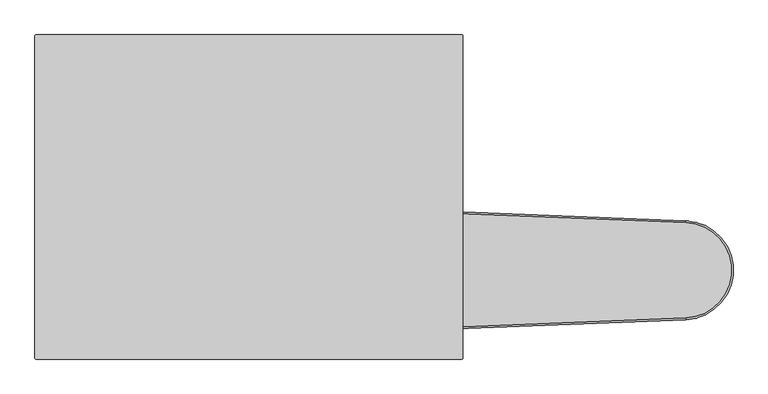
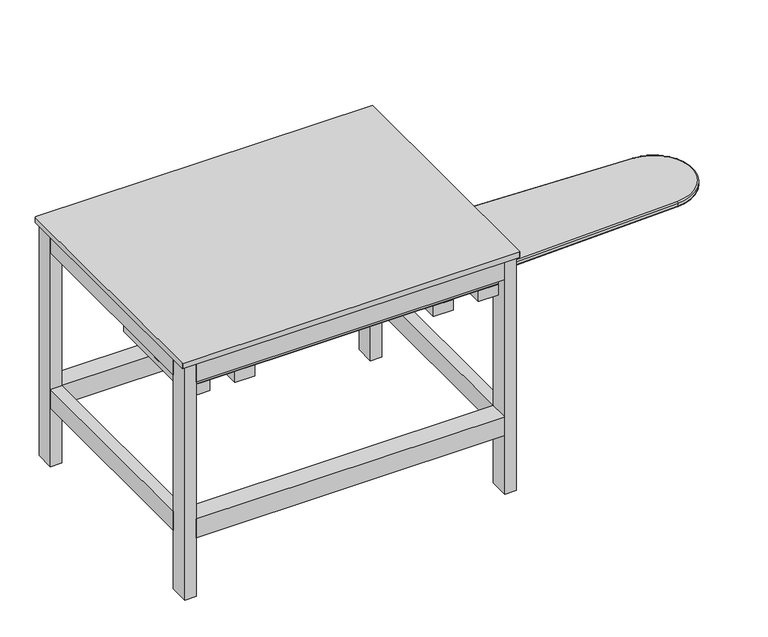
"""IFC4 building model written with IfcOpenShell, lengths in millimetres: furniture geometry."""

from ifc_helpers import new_model, si_unit, point, frame, frame_2d, origin, place, context, project, spatial, polyline, circle_curve, ellipse_curve, trimmed, segment, composite_curve, outline, extrude, faceted_brep, source, transform, mapped, element, save
from ifc_brep_helpers import plane_surface, cylinder_surface, revolved_surface, advanced_brep


def furniture_a4b67508(model_context):
    return source(origin(), model_context, "Body", "SolidModel", [
        advanced_brep(
        [(-230.8786797, -28.9253187, 798.5), (-230.8786797, -382.3173219, 798.5), (845.6885995, -339.2546308, 798.5), (845.6885995, -71.9880099, 798.5), (-230.8786797, -382.3173219, 779.5), (-230.8786797, -28.9253187, 779.5), (845.6885995, -71.9880099, 779.5), (845.6885995, -339.2546308, 779.5), (-230.8786797, -23.9213203, 793.5), (-230.8786797, -23.9213203, 784.5), (-230.8786797, -387.3213203, 784.5), (-230.8786797, -387.3213203, 793.5), (845.8884397, -344.2506356, 784.5), (845.8884397, -344.2506356, 793.5), (845.8884397, -66.9920051, 784.5), (845.8884397, -66.9920051, 793.5000023)],
        [
            (0, 1),
            (1, 2),
            (2, 3, circle_curve(frame((840.3432671, -205.6213203, 798.5), z_axis=(0.0, 0.0, 1.0), x_axis=(0.039968038348865476, -0.9992009587217897, 0.0)), 133.7401744)),
            (3, 0),
            (4, 5),
            (5, 6),
            (6, 7, circle_curve(frame((840.3432671, -205.6213203, 779.5), z_axis=(0.0, 0.0, -1.0), x_axis=(0.039968038348865476, -0.9992009587217897, 0.0)), 133.7401744)),
            (7, 4),
            (0, 8, ellipse_curve(frame((-230.8786797, -28.9253187, 793.5), z_axis=(-1.0, 0.0, 0.0), x_axis=(0.0, 1.0, 0.0)), 5.0039984, 5.0)),
            (8, 9),
            (9, 5, ellipse_curve(frame((-230.8786797, -28.9253187, 784.5), z_axis=(-1.0, 0.0, 0.0), x_axis=(0.0, 1.0, 0.0)), 5.0039984, 5.0)),
            (4, 10, ellipse_curve(frame((-230.8786797, -382.3173219, 784.5), z_axis=(-1.0, 0.0, 0.0), x_axis=(0.0, 1.0, 0.0)), 5.0039984, 5.0)),
            (10, 11),
            (11, 1, ellipse_curve(frame((-230.8786797, -382.3173219, 793.5), z_axis=(-1.0, 0.0, 0.0), x_axis=(0.0, 1.0, 0.0)), 5.0039984, 5.0)),
            (10, 12),
            (12, 13),
            (13, 11),
            (12, 14, circle_curve(frame((840.3432671, -205.6213203, 784.5), z_axis=(0.0, 0.0, 1.0), x_axis=(1.0, 0.0, 0.0)), 138.7401744)),
            (14, 15),
            (15, 13, circle_curve(frame((840.3432671, -205.6213203, 793.5), z_axis=(0.0, 0.0, -1.0), x_axis=(1.0, 0.0, 0.0)), 138.7401744)),
            (8, 15),
            (14, 9),
            (13, 2, circle_curve(frame((845.6885995, -339.2546308, 793.5), z_axis=(-0.9992009587217895, -0.03996803834887169, 0.0), x_axis=(-0.03996803834887169, 0.9992009587217895, 0.0)), 5.0)),
            (15, 3, circle_curve(frame((845.6885995, -71.9880099, 793.5), z_axis=(0.9992009587217894, -0.03996803834887574, 0.0), x_axis=(-0.03996803834887574, -0.9992009587217894, 0.0)), 5.0)),
            (7, 12, circle_curve(frame((845.6885995, -339.2546308, 784.5), z_axis=(-0.9992009587217895, -0.03996803834887169, 0.0), x_axis=(-0.03996803834887169, 0.9992009587217895, 0.0)), 5.0)),
            (6, 14, circle_curve(frame((845.6885995, -71.9880099, 784.5), z_axis=(0.9992009587217894, -0.039968038348875294, 0.0), x_axis=(-0.039968038348875294, -0.9992009587217894, 0.0)), 5.0)),
        ],
        [
            plane_surface(frame((-230.8786797, -41.9974316, 798.5), z_axis=(0.0, 0.0, 1.0), x_axis=(0.0, -1.0, 0.0))),
            plane_surface(frame((-230.8786797, -41.9974316, 779.5), z_axis=(0.0, 0.0, -1.0), x_axis=(0.0, 1.0, 0.0))),
            plane_surface(frame((-230.8786797, -23.9213203, 798.5), z_axis=(-1.0, 0.0, 0.0), x_axis=(0.0, 0.0, -1.0))),
            plane_surface(frame((-230.8786797, -387.3213203, 798.5), z_axis=(0.039968038348871686, -0.9992009587217895, 0.0), x_axis=(0.0, 0.0, -1.0))),
            cylinder_surface(frame((840.3432671, -205.6213203, 779.5), z_axis=(0.0, 0.0, 1.0), x_axis=(1.0, 0.0, 0.0)), 138.7401744),
            plane_surface(frame((845.8884397, -66.9920051, 798.5), z_axis=(0.039968038348876196, 0.9992009587217893, 0.0), x_axis=(0.0, 0.0, -1.0))),
            cylinder_surface(frame((-231.0785198, -382.3253155, 793.5), z_axis=(0.9992009587217895, 0.03996803834887169, 0.0), x_axis=(-0.03996803834887169, 0.9992009587217895, 0.0)), 5.0),
            revolved_surface(trimmed(ellipse_curve(frame((845.6885995, -339.2546308, 793.5), z_axis=(-0.9992009587217897, -0.03996803834886547, 0.0), x_axis=(-0.03996803834886547, 0.9992009587217897, 0.0)), 5.0, 5.0), [point((845.8884397, -344.2506356, 793.5))], [point((845.6885995, -339.2546308, 798.5))], True, "CARTESIAN"), (840.3432671, -205.6213203, 798.5), (0.0, 0.0, 1.0)),
            cylinder_surface(frame((845.6885995, -71.9880099, 793.5), z_axis=(-0.9992009587217893, 0.0399680383488762, 0.0), x_axis=(-0.0399680383488762, -0.9992009587217893, 0.0)), 5.0),
            cylinder_surface(frame((-231.0785198, -382.3253155, 784.5), z_axis=(0.9992009587217895, 0.03996803834887169, 0.0), x_axis=(-0.03996803834887169, 0.9992009587217895, 0.0)), 5.0),
            revolved_surface(trimmed(ellipse_curve(frame((845.6885995, -339.2546308, 784.5), z_axis=(-0.9992009587217897, -0.03996803834886547, 0.0), x_axis=(-0.03996803834886547, 0.9992009587217897, 0.0)), 5.0, 5.0), [point((845.6885995, -339.2546308, 779.5))], [point((845.8884397, -344.2506356, 784.5))], True, "CARTESIAN"), (840.3432671, -205.6213203, 798.5), (0.0, 0.0, 1.0)),
            cylinder_surface(frame((845.6885995, -71.9880099, 784.5), z_axis=(-0.9992009587217893, 0.0399680383488762, 0.0), x_axis=(-0.0399680383488762, -0.9992009587217893, 0.0)), 5.0),
        ],
        [
            (0, [[1, 2, 3, 4]]),
            (1, [[5, 6, 7, 8]]),
            (2, [[-1, 9, 10, 11, -5, 12, 13, 14]]),
            (3, [[-13, 15, 16, 17]]),
            (4, [[-16, 18, 19, 20]]),
            (5, [[-10, 21, -19, 22]]),
            (6, [[23, -2, -14, -17]]),
            (7, [[-23, -20, 24, -3]]),
            (8, [[-24, -21, -9, -4]]),
            (9, [[25, -15, -12, -8]]),
            (10, [[-25, -7, 26, -18]]),
            (11, [[-26, -6, -11, -22]]),
        ],
    ),
        extrude(outline(polyline([(-409.1213203, 725.0), (-409.1213203, 765.0), (-221.1213203, 765.0), (-221.1213203, 741.0), (-190.1213203, 741.0), (-190.1213203, 765.0), (-2.1213203, 765.0), (-2.1213203, 725.0), (-409.1213203, 725.0)])), frame((-927.8786797, 0.0, 0.0), z_axis=(1.0, 0.0, 0.0), x_axis=(0.0, 1.0, 0.0)), (0.0, 0.0, 1.0), 71.0),
        extrude(outline(polyline([(-409.1213203, 725.0), (-409.1213203, 765.0), (-221.1213203, 765.0), (-221.1213203, 741.0), (-190.1213203, 741.0), (-190.1213203, 765.0), (-2.1213203, 765.0), (-2.1213203, 725.0), (-409.1213203, 725.0)])), frame((-766.8786797, 0.0, 0.0), z_axis=(1.0, 0.0, 0.0), x_axis=(0.0, 1.0, 0.0)), (0.0, 0.0, 1.0), 70.0),
        extrude(outline(polyline([(-409.1213203, 725.0), (-409.1213203, 765.0), (-221.1213203, 765.0), (-221.1213203, 741.0), (-190.1213203, 741.0), (-190.1213203, 765.0), (-2.1213203, 765.0), (-2.1213203, 725.0), (-409.1213203, 725.0)])), frame((-60.8786797, 0.0, 0.0), z_axis=(1.0, 0.0, 0.0), x_axis=(0.0, 1.0, 0.0)), (0.0, 0.0, 1.0), 70.0),
        extrude(outline(polyline([(-409.1213203, 725.0), (-409.1213203, 765.0), (-221.1213203, 765.0), (-221.1213203, 741.0), (-190.1213203, 741.0), (-190.1213203, 765.0), (-2.1213203, 765.0), (-2.1213203, 725.0), (-409.1213203, 725.0)])), frame((99.1213203, 0.0, 0.0), z_axis=(1.0, 0.0, 0.0), x_axis=(0.0, 1.0, 0.0)), (0.0, 0.0, 1.0), 71.0),
        advanced_brep(
        [(903.6213203, -219.6213203, 757.0), (926.1213203, -219.6213203, 779.5), (-139.8786797, -219.6213203, 779.5), (-117.3786797, -219.6213203, 757.0), (891.1213203, -219.6213203, 744.5), (-104.8786797, -219.6213203, 744.5), (888.1213203, -194.6213203, 741.5), (888.1213203, -216.6213203, 741.5), (-101.8786797, -216.6213203, 741.5), (-101.8786797, -194.6213203, 741.5), (903.6213203, -191.6213203, 757.0), (891.1213203, -191.6213203, 744.5), (-104.8786797, -191.6213203, 744.5), (-117.3786797, -191.6213203, 757.0), (926.1213203, -191.6213203, 779.5), (-139.8786797, -191.6213203, 779.5)],
        [
            (0, 1),
            (1, 2),
            (2, 3),
            (3, 0),
            (4, 0),
            (3, 5),
            (5, 4),
            (6, 7),
            (7, 8),
            (8, 9),
            (9, 6),
            (10, 11),
            (11, 12),
            (12, 13),
            (13, 10),
            (14, 10),
            (13, 15),
            (15, 14),
            (1, 14),
            (15, 2),
            (4, 7, ellipse_curve(frame((891.1213203, -216.6213203, 744.5), z_axis=(0.7071067811865601, 0.0, -0.707106781186535), x_axis=(0.7071067811865349, 0.0, 0.7071067811865601)), 4.2426407, 3.0)),
            (6, 11, ellipse_curve(frame((891.1213203, -194.6213203, 744.5), z_axis=(0.7071067811865601, 0.0, -0.707106781186535), x_axis=(0.7071067811865349, 0.0, 0.7071067811865601)), 4.2426407, 3.0)),
            (5, 8, ellipse_curve(frame((-104.8786797, -216.6213203, 744.5), z_axis=(0.7071067811865505, 0.0, 0.7071067811865447), x_axis=(0.7071067811865446, 0.0, -0.7071067811865505)), 4.2426407, 3.0)),
            (9, 12, ellipse_curve(frame((-104.8786797, -194.6213203, 744.5), z_axis=(0.7071067811865505, 0.0, 0.7071067811865447), x_axis=(0.7071067811865446, 0.0, -0.7071067811865505)), 4.2426407, 3.0)),
        ],
        [
            plane_surface(frame((929.42304, -219.6213203, 779.5), z_axis=(0.0, -1.0, 0.0), x_axis=(-1.0, 0.0, 0.0))),
            plane_surface(frame((929.42304, -219.6213203, 757.0), z_axis=(0.0, -1.0, 0.0), x_axis=(-1.0, 0.0, 0.0))),
            plane_surface(frame((929.42304, -216.6213203, 741.5), z_axis=(0.0, 0.0, -1.0), x_axis=(-1.0, 0.0, 0.0))),
            plane_surface(frame((929.42304, -191.6213203, 744.5), z_axis=(0.0, 1.0, 0.0), x_axis=(-1.0, 0.0, 0.0))),
            plane_surface(frame((929.42304, -191.6213203, 757.0), z_axis=(0.0, 1.0, 0.0), x_axis=(-1.0, 0.0, 0.0))),
            plane_surface(frame((929.42304, -191.6213203, 779.5), z_axis=(0.0, 0.0, 1.0), x_axis=(-1.0, 0.0, 0.0))),
            plane_surface(frame((929.42304, -221.1213203, 782.8017197), z_axis=(0.7071067811865601, 0.0, -0.707106781186535), x_axis=(0.0, 1.0, 0.0))),
            cylinder_surface(frame((-143.9800181, -216.6213203, 744.5), z_axis=(1.0, 0.0, 0.0), x_axis=(0.0, -1.0, 0.0)), 3.0),
            cylinder_surface(frame((-143.9800181, -194.6213203, 744.5), z_axis=(1.0, 0.0, 0.0), x_axis=(0.0, -1.0, 0.0)), 3.0),
            plane_surface(frame((-80.3925913, -250.0, 720.0139116), z_axis=(-0.7071067811865505, 0.0, -0.7071067811865447), x_axis=(0.0, 1.0, 0.0))),
        ],
        [
            (0, [[1, 2, 3, 4]]),
            (1, [[5, -4, 6, 7]]),
            (2, [[8, 9, 10, 11]]),
            (3, [[12, 13, 14, 15]]),
            (4, [[16, -15, 17, 18]]),
            (5, [[19, -18, 20, -2]]),
            (6, [[-1, -5, 21, -8, 22, -12, -16, -19]]),
            (7, [[-21, -7, 23, -9]]),
            (8, [[-22, -11, 24, -13]]),
            (9, [[-3, -20, -17, -14, -24, -10, -23, -6]]),
        ],
    ),
        faceted_brep([(-927.8786797, 448.8786797, 878.0), (-967.8786797, 448.8786797, 878.0), (-967.8786797, 378.8786797, 878.0), (-927.8786797, 378.8786797, 878.0), (-927.8786797, 448.8786797, 0.0), (-927.8786797, 378.8786797, 0.0), (-967.8786797, 378.8786797, 0.0), (-967.8786797, 448.8786797, 0.0)], [[[0, 1, 2, 3]], [[4, 5, 6, 7]], [[1, 0, 4, 7]], [[2, 1, 7, 6]], [[3, 2, 6, 5]], [[0, 3, 5, 4]]]),
        faceted_brep([(210.1213203, 448.8786797, 878.0), (170.1213203, 448.8786797, 878.0), (170.1213203, 378.8786797, 878.0), (210.1213203, 378.8786797, 878.0), (210.1213203, 448.8786797, 0.0), (210.1213203, 378.8786797, 0.0), (170.1213203, 378.8786797, 0.0), (170.1213203, 448.8786797, 0.0)], [[[0, 1, 2, 3]], [[4, 5, 6, 7]], [[2, 1, 7, 6]], [[3, 2, 6, 5]], [[0, 3, 5, 4]], [[1, 0, 4, 7]]]),
        advanced_brep(
        [(-927.8786797, -379.1213203, 878.0), (-967.8786797, -379.1213203, 878.0), (-967.8786797, -449.1213203, 878.0), (-927.8786797, -449.1213203, 878.0), (210.1213203, -379.1213203, 878.0), (170.1213203, -379.1213203, 878.0), (170.1213203, -449.1213203, 878.0), (210.1213203, -449.1213203, 878.0), (-927.8786797, -379.1213203, 0.0), (-927.8786797, -449.1213203, 0.0), (-967.8786797, -449.1213203, 0.0), (-967.8786797, -379.1213203, 0.0), (210.1213203, -379.1213203, 0.0), (210.1213203, -449.1213203, 0.0), (170.1213203, -449.1213203, 0.0), (170.1213203, -379.1213203, 0.0), (-927.8786797, -379.1213203, 804.9142136), (-927.8786797, -379.1213203, 802.5), (-927.8786797, -379.1213203, 776.5), (-927.8786797, -379.1213203, 764.9142136), (170.1213203, -379.1213203, 764.9142136), (170.1213203, -379.1213203, 776.5), (170.1213203, -379.1213203, 802.5), (170.1213203, -379.1213203, 804.9142136), (-927.8786797, -406.1213203, 764.9142136), (-927.8786797, -409.1213203, 767.9142136), (-927.8786797, -409.1213203, 804.9142136), (-927.8786797, -387.1213203, 802.5), (-927.8786797, -387.1213203, 776.5), (170.1213203, -409.1213203, 804.9142136), (170.1213203, -409.1213203, 767.9142136), (170.1213203, -406.1213203, 764.9142136), (170.1213203, -387.1213203, 776.5), (170.1213203, -387.1213203, 802.5), (170.1213203, -372.1213203, 764.9142136), (170.1213203, -369.1213203, 767.9142136), (170.1213203, -369.1213203, 776.5), (170.1213203, -369.1213203, 802.5), (170.1213203, -369.1213203, 804.9142136), (-927.8786797, -369.1213203, 804.9142136), (-927.8786797, -369.1213203, 802.5), (-927.8786797, -369.1213203, 776.5), (-927.8786797, -369.1213203, 767.9142136), (-927.8786797, -372.1213203, 764.9142136), (-230.8866797, -387.1213203, 798.5), (-230.8866797, -387.1213203, 794.9005482), (-225.8786797, -387.1213203, 793.5), (-225.8786797, -387.1213203, 798.5), (-230.8866797, -387.1213203, 783.0994518), (-230.8866797, -387.1213203, 779.5), (-225.8786797, -387.1213203, 779.5), (-225.8786797, -387.1213203, 784.5), (-230.8786797, -387.3213203, 798.5), (-230.8786797, -387.3213203, 793.5), (-230.8786797, -387.3213203, 784.5), (-230.8786797, -387.3213203, 779.5)],
        [
            (0, 1),
            (1, 2),
            (2, 3),
            (3, 0),
            (4, 5),
            (5, 6),
            (6, 7),
            (7, 4),
            (8, 9),
            (9, 10),
            (10, 11),
            (11, 8),
            (12, 13),
            (13, 14),
            (14, 15),
            (15, 12),
            (0, 16),
            (16, 17),
            (17, 18),
            (18, 19),
            (19, 8),
            (11, 1),
            (2, 10),
            (9, 3),
            (4, 12),
            (15, 20),
            (20, 21),
            (21, 22),
            (22, 23),
            (23, 5),
            (19, 24),
            (24, 25, circle_curve(frame((-927.8786797, -406.1213203, 767.9142136), z_axis=(-1.0, 0.0, 0.0), x_axis=(0.0, 1.0, 0.0)), 3.0)),
            (25, 26),
            (26, 16),
            (17, 27),
            (27, 28),
            (28, 18),
            (23, 29),
            (29, 30),
            (30, 31, circle_curve(frame((170.1213203, -406.1213203, 767.9142136), z_axis=(1.0, 0.0, 0.0), x_axis=(0.0, 1.0, 0.0)), 3.0)),
            (31, 20),
            (14, 6),
            (21, 32),
            (32, 33),
            (33, 22),
            (13, 7),
            (34, 35, circle_curve(frame((170.1213203, -372.1213203, 767.9142136), z_axis=(1.0, 0.0, 0.0), x_axis=(0.0, 1.0, 0.0)), 3.0)),
            (35, 36),
            (36, 21),
            (20, 34),
            (37, 38),
            (38, 23),
            (22, 37),
            (39, 40),
            (40, 17),
            (16, 39),
            (41, 42),
            (42, 43, circle_curve(frame((-927.8786797, -372.1213203, 767.9142136), z_axis=(-1.0, 0.0, 0.0), x_axis=(0.0, 1.0, 0.0)), 3.0)),
            (43, 19),
            (18, 41),
            (31, 24),
            (43, 34),
            (42, 35),
            (41, 36),
            (28, 32),
            (27, 33),
            (44, 45),
            (45, 46, ellipse_curve(frame((-350.9786397, -387.1213203, 793.5), z_axis=(0.0, 1.0, 0.0), x_axis=(1.0, 0.0, 0.0)), 125.09996, 5.0)),
            (46, 47),
            (47, 44),
            (48, 49),
            (49, 50),
            (50, 51),
            (51, 48, ellipse_curve(frame((-350.9786397, -387.1213203, 784.5), z_axis=(0.0, 1.0, 0.0), x_axis=(1.0, 0.0, 0.0)), 125.09996, 5.0)),
            (40, 37),
            (39, 38),
            (26, 29),
            (25, 30),
            (52, 53),
            (53, 45, circle_curve(frame((-231.0785198, -382.3253155, 793.5), z_axis=(-0.9992009587217895, -0.03996803834887169, 0.0), x_axis=(-0.03996803834887169, 0.9992009587217895, 0.0)), 5.0)),
            (44, 52),
            (54, 55),
            (55, 49),
            (48, 54, circle_curve(frame((-231.0785198, -382.3253155, 784.5), z_axis=(-0.9992009587217895, -0.03996803834887169, 0.0), x_axis=(-0.03996803834887169, 0.9992009587217895, 0.0)), 5.0)),
            (52, 47),
            (46, 53),
            (51, 54),
            (55, 50),
        ],
        [
            plane_surface(frame((-959.0, 448.8786797, 878.0), z_axis=(0.0, 0.0, 1.0), x_axis=(-1.0, 0.0, 0.0))),
            plane_surface(frame((-959.0, 448.8786797, 0.0), z_axis=(0.0, 0.0, -1.0), x_axis=(1.0, 0.0, 0.0))),
            plane_surface(frame((-927.8786797, -379.1213203, 878.0), z_axis=(0.0, 1.0, 0.0), x_axis=(0.0, 0.0, -1.0))),
            plane_surface(frame((-967.8786797, -449.1213203, 878.0), z_axis=(0.0, -1.0, 0.0), x_axis=(0.0, 0.0, -1.0))),
            plane_surface(frame((210.1213203, -379.1213203, 878.0), z_axis=(0.0, 1.0, 0.0), x_axis=(0.0, 0.0, -1.0))),
            plane_surface(frame((-967.8786797, -379.1213203, 878.0), z_axis=(-1.0, 0.0, 0.0), x_axis=(0.0, 0.0, -1.0))),
            plane_surface(frame((-927.8786797, -449.1213203, 878.0), z_axis=(1.0, 0.0, 0.0), x_axis=(0.0, 0.0, -1.0))),
            plane_surface(frame((170.1213203, -379.1213203, 878.0), z_axis=(-1.0, 0.0, 0.0), x_axis=(0.0, 0.0, -1.0))),
            plane_surface(frame((170.1213203, -449.1213203, 878.0), z_axis=(0.0, -1.0, 0.0), x_axis=(0.0, 0.0, -1.0))),
            plane_surface(frame((210.1213203, -449.1213203, 878.0), z_axis=(1.0, 0.0, 0.0), x_axis=(0.0, 0.0, -1.0))),
            plane_surface(frame((170.1213203, -8.1213203, 767.9142136), z_axis=(1.0, 0.0, 0.0), x_axis=(0.0, 0.0, -1.0))),
            plane_surface(frame((-927.8786797, -8.1213203, 767.9142136), z_axis=(-1.0, 0.0, 0.0), x_axis=(0.0, 0.0, 1.0))),
            plane_surface(frame((170.1213203, -406.1213203, 764.9142136), z_axis=(0.0, 0.0, -1.0), x_axis=(-1.0, 0.0, 0.0))),
            cylinder_surface(frame((0.0, -372.1213203, 767.9142136), z_axis=(1.0, 0.0, 0.0), x_axis=(0.0, 1.0, 0.0)), 3.0),
            plane_surface(frame((170.1213203, -369.1213203, 767.9142136), z_axis=(0.0, 1.0, 0.0), x_axis=(-1.0, 0.0, 0.0))),
            plane_surface(frame((170.1213203, -369.1213203, 776.5), z_axis=(0.0, 0.0, 1.0), x_axis=(-1.0, 0.0, 0.0))),
            plane_surface(frame((170.1213203, -387.1213203, 776.5), z_axis=(0.0, 1.0, 0.0), x_axis=(-1.0, 0.0, 0.0))),
            plane_surface(frame((170.1213203, -387.1213203, 802.5), z_axis=(0.0, 0.0, -1.0), x_axis=(-1.0, 0.0, 0.0))),
            plane_surface(frame((170.1213203, -369.1213203, 802.5), z_axis=(0.0, 1.0, 0.0), x_axis=(-1.0, 0.0, 0.0))),
            plane_surface(frame((170.1213203, -369.1213203, 804.9142136), z_axis=(0.0, 0.0, 1.0), x_axis=(-1.0, 0.0, 0.0))),
            plane_surface(frame((170.1213203, -409.1213203, 804.9142136), z_axis=(0.0, -1.0, 0.0), x_axis=(-1.0, 0.0, 0.0))),
            cylinder_surface(frame((0.0, -406.1213203, 767.9142136), z_axis=(1.0, 0.0, 0.0), x_axis=(0.0, 1.0, 0.0)), 3.0),
            plane_surface(frame((-230.8786797, -387.3213203, 798.5), z_axis=(0.9992009587217895, 0.03996803834887169, 0.0), x_axis=(0.0, 0.0, 1.0))),
            plane_surface(frame((-230.8786797, -387.3213203, 793.5), z_axis=(-0.03996803834887166, 0.9992009587217895, 0.0), x_axis=(0.9992009587217895, 0.03996803834887166, 0.0))),
            plane_surface(frame((-230.8786797, -387.3213203, 798.5), z_axis=(0.0, 0.0, -1.0000000000000002), x_axis=(0.9992009587217895, 0.03996803834887166, 0.0))),
            cylinder_surface(frame((-231.0785198, -382.3253155, 793.5), z_axis=(0.9992009587217895, 0.03996803834887169, 0.0), x_axis=(-0.03996803834887169, 0.9992009587217895, 0.0)), 5.0),
            cylinder_surface(frame((-231.0785198, -382.3253155, 784.5), z_axis=(0.9992009587217895, 0.03996803834887169, 0.0), x_axis=(-0.03996803834887169, 0.9992009587217895, 0.0)), 5.0),
            plane_surface(frame((-231.0785198, -382.3253155, 779.5), z_axis=(0.0, 0.0, 1.0000000000000002), x_axis=(0.9992009587217895, 0.039968038348871665, 0.0))),
            plane_surface(frame((-230.8786797, -387.3213203, 779.5), z_axis=(-0.03996803834887166, 0.9992009587217895, 0.0), x_axis=(0.9992009587217895, 0.03996803834887166, 0.0))),
        ],
        [
            (0, [[1, 2, 3, 4]]),
            (0, [[5, 6, 7, 8]]),
            (1, [[9, 10, 11, 12]]),
            (1, [[13, 14, 15, 16]]),
            (2, [[-1, 17, 18, 19, 20, 21, -12, 22]]),
            (3, [[-3, 23, -10, 24]]),
            (4, [[-5, 25, -16, 26, 27, 28, 29, 30]]),
            (5, [[-2, -22, -11, -23]]),
            (6, [[-4, -24, -9, -21, 31, 32, 33, 34, -17]]),
            (6, [[-19, 35, 36, 37]]),
            (7, [[-6, -30, 38, 39, 40, 41, -26, -15, 42]]),
            (7, [[-28, 43, 44, 45]]),
            (8, [[-7, -42, -14, 46]]),
            (9, [[-8, -46, -13, -25]]),
            (10, [[47, 48, 49, -27, 50]]),
            (10, [[51, 52, -29, 53]]),
            (11, [[54, 55, -18, 56]]),
            (11, [[57, 58, 59, -20, 60]]),
            (12, [[61, -31, -59, 62, -50, -41]]),
            (13, [[-47, -62, -58, 63]]),
            (14, [[-48, -63, -57, 64]]),
            (15, [[-64, -60, -37, 65, -43, -49]]),
            (16, [[-65, -36, 66, -44], [67, 68, 69, 70], [71, 72, 73, 74]]),
            (17, [[-66, -35, -55, 75, -53, -45]]),
            (18, [[-51, -75, -54, 76]]),
            (19, [[-76, -56, -34, 77, -38, -52]]),
            (20, [[-77, -33, 78, -39]]),
            (21, [[-61, -40, -78, -32]]),
            (22, [[79, 80, -67, 81]]),
            (22, [[82, 83, -71, 84]]),
            (23, [[-79, 85, -69, 86]]),
            (24, [[-81, -70, -85]]),
            (25, [[-80, -86, -68]]),
            (26, [[-84, -74, 87]]),
            (27, [[-83, 88, -72]]),
            (28, [[-82, -87, -73, -88]]),
        ],
    ),
        advanced_brep(
        [(170.1213203, -42.1213203, 804.9142136), (170.1213203, -2.1213203, 804.9142136), (-927.8786797, -2.1213203, 804.9142136), (-927.8786797, -42.1213203, 804.9142136), (170.1213203, -42.1213203, 802.5), (-927.8786797, -42.1213203, 802.5), (170.1213203, -5.1213203, 764.9142136), (170.1213203, -39.1213203, 764.9142136), (-927.8786797, -39.1213203, 764.9142136), (-927.8786797, -5.1213203, 764.9142136), (170.1213203, -2.1213203, 767.9142136), (170.1213203, -24.1213203, 802.5), (170.1213203, -24.1213203, 776.5), (170.1213203, -42.1213203, 776.5), (170.1213203, -42.1213203, 767.9142136), (-927.8786797, -42.1213203, 767.9142136), (-927.8786797, -42.1213203, 776.5), (-927.8786797, -24.1213203, 776.5), (-927.8786797, -24.1213203, 802.5), (-927.8786797, -2.1213203, 767.9142136), (-230.8866797, -24.1213203, 798.5), (-225.8786797, -24.1213203, 798.5), (-225.8786797, -24.1213203, 793.5), (-230.8866797, -24.1213203, 794.9005482), (-230.8866797, -24.1213203, 779.5), (-230.8866797, -24.1213203, 783.0994518), (-225.8786797, -24.1213203, 784.5), (-225.8786797, -24.1213203, 779.5), (-230.8786797, -23.9213203, 798.5), (-230.8786797, -23.9213203, 793.5), (-230.8786797, -23.9213203, 779.5), (-230.8786797, -23.9213203, 784.5)],
        [
            (0, 1),
            (1, 2),
            (2, 3),
            (3, 0),
            (4, 0),
            (3, 5),
            (5, 4),
            (6, 7),
            (7, 8),
            (8, 9),
            (9, 6),
            (6, 10, circle_curve(frame((170.1213203, -5.1213203, 767.9142136), z_axis=(1.0, 0.0, 0.0), x_axis=(0.0, -1.0, 0.0)), 3.0)),
            (10, 1),
            (4, 11),
            (11, 12),
            (12, 13),
            (13, 14),
            (14, 7, circle_curve(frame((170.1213203, -39.1213203, 767.9142136), z_axis=(1.0, 0.0, 0.0), x_axis=(0.0, -1.0, 0.0)), 3.0)),
            (8, 15, circle_curve(frame((-927.8786797, -39.1213203, 767.9142136), z_axis=(-1.0, 0.0, 0.0), x_axis=(0.0, -1.0, 0.0)), 3.0)),
            (15, 16),
            (16, 17),
            (17, 18),
            (18, 5),
            (2, 19),
            (19, 9, circle_curve(frame((-927.8786797, -5.1213203, 767.9142136), z_axis=(-1.0, 0.0, 0.0), x_axis=(0.0, -1.0, 0.0)), 3.0)),
            (10, 19),
            (18, 11),
            (17, 12),
            (20, 21),
            (21, 22),
            (22, 23, ellipse_curve(frame((-350.9786397, -24.1213203, 793.5), z_axis=(0.0, -1.0, 0.0), x_axis=(-1.0, 0.0, 0.0)), 125.09996, 5.0)),
            (23, 20),
            (24, 25),
            (25, 26, ellipse_curve(frame((-350.9786397, -24.1213203, 784.5), z_axis=(0.0, -1.0, 0.0), x_axis=(-1.0, 0.0, 0.0)), 125.09996, 5.0)),
            (26, 27),
            (27, 24),
            (16, 13),
            (15, 14),
            (28, 21),
            (20, 28),
            (29, 28),
            (23, 29, circle_curve(frame((-231.0785198, -28.9173251, 793.5), z_axis=(-0.9992009587217893, 0.0399680383488762, 0.0), x_axis=(-0.0399680383488762, -0.9992009587217893, 0.0)), 5.0)),
            (30, 31),
            (31, 25, circle_curve(frame((-231.0785198, -28.9173251, 784.5), z_axis=(-0.9992009587217893, 0.0399680383488762, 0.0), x_axis=(-0.0399680383488762, -0.9992009587217893, 0.0)), 5.0)),
            (24, 30),
            (29, 22),
            (27, 30),
            (31, 26),
        ],
        [
            plane_surface(frame((170.1213203, -2.1213203, 804.9142136), z_axis=(0.0, 0.0, 1.0), x_axis=(-1.0, 0.0, 0.0))),
            plane_surface(frame((170.1213203, -42.1213203, 804.9142136), z_axis=(0.0, -1.0, 0.0), x_axis=(-1.0, 0.0, 0.0))),
            plane_surface(frame((170.1213203, -39.1213203, 764.9142136), z_axis=(0.0, 0.0, -1.0), x_axis=(-1.0, 0.0, 0.0))),
            plane_surface(frame((170.1213203, -8.1213203, 767.9142136), z_axis=(1.0, 0.0, 0.0), x_axis=(0.0, 0.0, -1.0))),
            plane_surface(frame((-927.8786797, -8.1213203, 767.9142136), z_axis=(-1.0, 0.0, 0.0), x_axis=(0.0, 0.0, 1.0))),
            plane_surface(frame((170.1213203, -2.1213203, 767.9142136), z_axis=(0.0, 1.0, 0.0), x_axis=(-1.0, 0.0, 0.0))),
            cylinder_surface(frame((-927.8786797, -5.1213203, 767.9142136), z_axis=(1.0, 0.0, 0.0), x_axis=(0.0, -1.0, 0.0)), 3.0),
            plane_surface(frame((170.1213203, -42.1213203, 802.5), z_axis=(0.0, 0.0, -1.0), x_axis=(-1.0, 0.0, 0.0))),
            plane_surface(frame((170.1213203, -24.1213203, 802.5), z_axis=(0.0, -1.0, 0.0), x_axis=(-1.0, 0.0, 0.0))),
            plane_surface(frame((170.1213203, -24.1213203, 776.5), z_axis=(0.0, 0.0, 1.0), x_axis=(-1.0, 0.0, 0.0))),
            plane_surface(frame((170.1213203, -42.1213203, 776.5), z_axis=(0.0, -1.0, 0.0), x_axis=(-1.0, 0.0, 0.0))),
            cylinder_surface(frame((-927.8786797, -39.1213203, 767.9142136), z_axis=(1.0, 0.0, 0.0), x_axis=(0.0, -1.0, 0.0)), 3.0),
            plane_surface(frame((-230.8786797, -387.3213203, 798.5), z_axis=(0.0, 0.0, -1.0000000000000002), x_axis=(0.9992009587217895, 0.03996803834887166, 0.0))),
            plane_surface(frame((-230.8786797, -23.9213203, 798.5), z_axis=(0.9992009587217893, -0.03996803834887618, 0.0), x_axis=(0.0, 0.0, 1.0))),
            plane_surface(frame((845.8884397, -66.9920051, 793.5), z_axis=(-0.039968038348876196, -0.9992009587217893, 0.0), x_axis=(-0.9992009587217893, 0.039968038348876196, 0.0))),
            cylinder_surface(frame((845.6885995, -71.9880099, 793.5), z_axis=(-0.9992009587217893, 0.0399680383488762, 0.0), x_axis=(-0.0399680383488762, -0.9992009587217893, 0.0)), 5.0),
            plane_surface(frame((-231.0785198, -382.3253155, 779.5), z_axis=(0.0, 0.0, 1.0000000000000002), x_axis=(0.9992009587217895, 0.039968038348871665, 0.0))),
            cylinder_surface(frame((845.6885995, -71.9880099, 784.5), z_axis=(-0.9992009587217893, 0.0399680383488762, 0.0), x_axis=(-0.0399680383488762, -0.9992009587217893, 0.0)), 5.0),
            plane_surface(frame((845.8884397, -66.9920051, 779.5), z_axis=(-0.039968038348876196, -0.9992009587217893, 0.0), x_axis=(-0.9992009587217893, 0.039968038348876196, 0.0))),
        ],
        [
            (0, [[1, 2, 3, 4]]),
            (1, [[5, -4, 6, 7]]),
            (2, [[8, 9, 10, 11]]),
            (3, [[12, 13, -1, -5, 14, 15, 16, 17, 18, -8]]),
            (4, [[-10, 19, 20, 21, 22, 23, -6, -3, 24, 25]]),
            (5, [[-13, 26, -24, -2]]),
            (6, [[-12, -11, -25, -26]]),
            (7, [[-14, -7, -23, 27]]),
            (8, [[-15, -27, -22, 28], [29, 30, 31, 32], [33, 34, 35, 36]]),
            (9, [[-16, -28, -21, 37]]),
            (10, [[-17, -37, -20, 38]]),
            (11, [[-18, -38, -19, -9]]),
            (12, [[39, -29, 40]]),
            (13, [[41, -40, -32, 42]]),
            (13, [[43, 44, -33, 45]]),
            (14, [[-41, 46, -30, -39]]),
            (15, [[-42, -31, -46]]),
            (16, [[-45, -36, 47]]),
            (17, [[-44, 48, -34]]),
            (18, [[-43, -47, -35, -48]]),
        ],
    ),
        extrude(outline(polyline([(-927.8786797, -379.1213203), (-967.8786797, -379.1213203), (-967.8786797, 378.8786797), (-927.8786797, 378.8786797), (-927.8786797, -379.1213203)])), frame((0.0, 0.0, 220.9142136), z_axis=(0.0, 0.0, 1.0), x_axis=(1.0, 0.0, 0.0)), (0.0, 0.0, 1.0), 70.0),
        extrude(outline(polyline([(210.1213203, -379.1213203), (170.1213203, -379.1213203), (170.1213203, 378.8786797), (210.1213203, 378.8786797), (210.1213203, -379.1213203)])), frame((0.0, 0.0, 220.9142136), z_axis=(0.0, 0.0, 1.0), x_axis=(1.0, 0.0, 0.0)), (0.0, 0.0, 1.0), 70.0),
        extrude(outline(polyline([(210.1213203, -379.1213203), (170.1213203, -379.1213203), (170.1213203, 378.8786797), (210.1213203, 378.8786797), (210.1213203, -379.1213203)])), frame((0.0, 0.0, 807.0), z_axis=(0.0, 0.0, 1.0), x_axis=(1.0, 0.0, 0.0)), (0.0, 0.0, 1.0), 71.0),
        extrude(outline(polyline([(-927.8786797, -379.1213203), (-967.8786797, -379.1213203), (-967.8786797, 378.8786797), (-927.8786797, 378.8786797), (-927.8786797, -379.1213203)])), frame((0.0, 0.0, 804.9142136), z_axis=(0.0, 0.0, 1.0), x_axis=(1.0, 0.0, 0.0)), (0.0, 0.0, 1.0), 73.0857864),
        extrude(outline(polyline([(170.1213203, 448.8786797), (170.1213203, 378.8786797), (-927.8786797, 378.8786797), (-927.8786797, 448.8786797), (170.1213203, 448.8786797)])), frame((0.0, 0.0, 220.9142136), z_axis=(0.0, 0.0, 1.0), x_axis=(1.0, 0.0, 0.0)), (0.0, 0.0, 1.0), 70.0),
        extrude(outline(polyline([(170.1213203, -379.1213203), (170.1213203, -449.1213203), (-927.8786797, -449.1213203), (-927.8786797, -379.1213203), (170.1213203, -379.1213203)])), frame((0.0, 0.0, 220.9142136), z_axis=(0.0, 0.0, 1.0), x_axis=(1.0, 0.0, 0.0)), (0.0, 0.0, 1.0), 70.0),
        extrude(outline(polyline([(170.1213203, 448.8786797), (170.1213203, 378.8786797), (-927.8786797, 378.8786797), (-927.8786797, 448.8786797), (170.1213203, 448.8786797)])), frame((0.0, 0.0, 805.0), z_axis=(0.0, 0.0, 1.0), x_axis=(1.0, 0.0, 0.0)), (0.0, 0.0, 1.0), 73.0),
        extrude(outline(polyline([(170.1213203, -379.1213203), (170.1213203, -449.1213203), (-927.8786797, -449.1213203), (-927.8786797, -379.1213203), (170.1213203, -379.1213203)])), frame((0.0, 0.0, 807.0), z_axis=(0.0, 0.0, 1.0), x_axis=(1.0, 0.0, 0.0)), (0.0, 0.0, 1.0), 71.0),
        extrude(outline(composite_curve([segment(trimmed(circle_curve(frame_2d((218.0241026, 452.0)), 3.0), [point((218.0241026, 455.0))], [point((221.0241026, 452.0))], False, "CARTESIAN"), True, "CONTINUOUS"), segment(polyline([(221.0241026, 452.0), (221.0241026, -452.0)]), True, "CONTINUOUS"), segment(trimmed(circle_curve(frame_2d((218.0241026, -452.0)), 3.0), [point((221.0241026, -452.0))], [point((218.0241026, -455.0))], False, "CARTESIAN"), True, "CONTINUOUS"), segment(polyline([(218.0241026, -455.0), (-976.0, -455.0)]), True, "CONTINUOUS"), segment(trimmed(circle_curve(frame_2d((-976.0, -452.0)), 3.0), [point((-976.0, -455.0))], [point((-979.0, -452.0))], False, "CARTESIAN"), True, "CONTINUOUS"), segment(polyline([(-979.0, -452.0), (-979.0, 452.0)]), True, "CONTINUOUS"), segment(trimmed(circle_curve(frame_2d((-976.0, 452.0)), 3.0), [point((-979.0, 452.0))], [point((-976.0, 455.0))], False, "CARTESIAN"), True, "CONTINUOUS"), segment(polyline([(-976.0, 455.0), (218.0241026, 455.0)]), True, "CONTINUOUS")], self_intersect=False)), frame((0.0, 0.0, 878.0), z_axis=(0.0, 0.0, 1.0), x_axis=(1.0, 0.0, 0.0)), (0.0, 0.0, 1.0), 19.0),
    ])


if __name__ == "__main__":
    model = new_model("IFC4")
    model_context = context("Model", 3, world=origin())
    ifc_project = project(units=[si_unit("LENGTHUNIT", "METRE", prefix="MILLI")], contexts=[model_context])
    site = spatial("IfcSite", under=ifc_project)
    building = spatial("IfcBuilding", under=site)
    placement = place(None, origin())
    furniture_shape = furniture_a4b67508(model_context)
    element("IfcFurniture", 1, at=placement, inside=building, context=model_context, shape_type="MappedRepresentation", body=[
        mapped(furniture_shape, transform((0.0, 0.0, 0.0), x_axis=(1.0, 0.0, 0.0), y_axis=(0.0, 1.0, 0.0), z_axis=(0.0, 0.0, 1.0))),
    ])
    save(model, "model.ifc")
